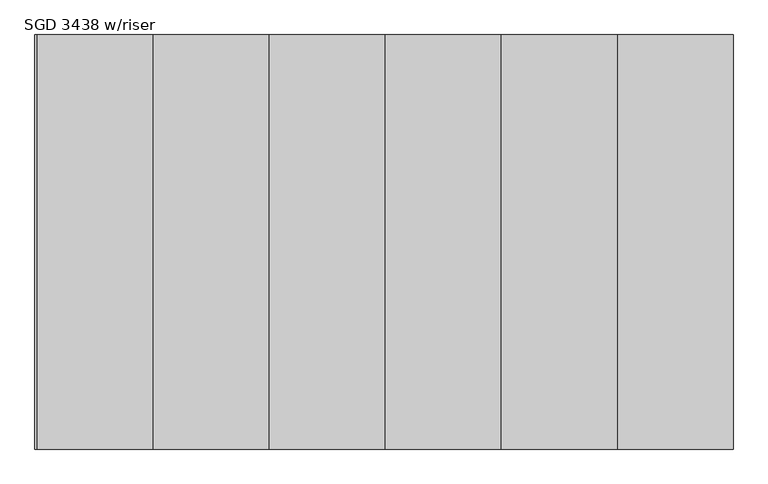
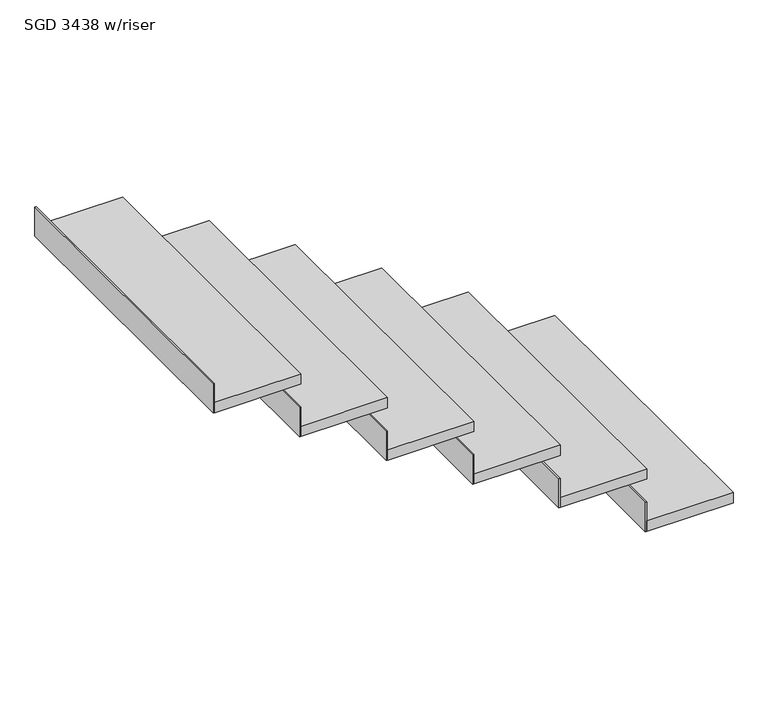
"""IFC4 building model written with IfcOpenShell, lengths in millimetres: stair flight geometry, SGD 3438 w/riser."""

from ifc_helpers import new_model, si_unit, frame, origin, place, context, project, spatial, polyline, outline, extrude, source, transform, mapped, element, save


def sgd_3438_w_riser_8f0bbea4(model_context):
    return source(origin(), model_context, "Body", "SweptSolid", [
        extrude(outline(polyline([(2894.5692102, -2159.0766376), (2894.5692102, -1159.0766376), (3174.5692102, -1159.0766376), (3174.5692102, -2159.0766376), (2894.5692102, -2159.0766376)])), frame((0.0, 0.0, -2639.0806558), z_axis=(0.0, 0.0, 1.0), x_axis=(1.0, 0.0, 0.0)), (0.0, 0.0, 1.0), 35.0),
        extrude(outline(polyline([(2890.5692102, -1159.0766376), (2894.5692102, -1159.0766376), (2894.5692102, -2159.0766376), (2890.5692102, -2159.0766376), (2890.5692102, -1159.0766376)])), frame((0.0, 0.0, -2638.7865382), z_axis=(0.0, 0.0, 1.0), x_axis=(1.0, 0.0, 0.0)), (0.0, 0.0, 1.0), 100.0),
        extrude(outline(polyline([(2610.5692102, -1159.0766376), (2614.5692102, -1159.0766376), (2614.5692102, -2159.0766376), (2610.5692102, -2159.0766376), (2610.5692102, -1159.0766376)])), frame((0.0, 0.0, -2459.4924205), z_axis=(0.0, 0.0, 1.0), x_axis=(1.0, 0.0, 0.0)), (0.0, 0.0, 1.0), 100.0),
        extrude(outline(polyline([(2330.5692102, -1159.0766376), (2334.5692102, -1159.0766376), (2334.5692102, -2159.0766376), (2330.5692102, -2159.0766376), (2330.5692102, -1159.0766376)])), frame((0.0, 0.0, -2280.1983029), z_axis=(0.0, 0.0, 1.0), x_axis=(1.0, 0.0, 0.0)), (0.0, 0.0, 1.0), 100.0),
        extrude(outline(polyline([(2050.5692102, -1159.0766376), (2054.5692102, -1159.0766376), (2054.5692102, -2159.0766376), (2050.5692102, -2159.0766376), (2050.5692102, -1159.0766376)])), frame((0.0, 0.0, -2100.9041852), z_axis=(0.0, 0.0, 1.0), x_axis=(1.0, 0.0, 0.0)), (0.0, 0.0, 1.0), 100.0),
        extrude(outline(polyline([(1770.5692102, -1159.0766376), (1774.5692102, -1159.0766376), (1774.5692102, -2159.0766376), (1770.5692102, -2159.0766376), (1770.5692102, -1159.0766376)])), frame((0.0, 0.0, -1921.6100676), z_axis=(0.0, 0.0, 1.0), x_axis=(1.0, 0.0, 0.0)), (0.0, 0.0, 1.0), 100.0),
        extrude(outline(polyline([(1490.5692102, -1159.0766376), (1494.5692102, -1159.0766376), (1494.5692102, -2159.0766376), (1490.5692102, -2159.0766376), (1490.5692102, -1159.0766376)])), frame((0.0, 0.0, -1742.3159499), z_axis=(0.0, 0.0, 1.0), x_axis=(1.0, 0.0, 0.0)), (0.0, 0.0, 1.0), 100.0),
        extrude(outline(polyline([(2614.5692102, -2159.0766376), (2614.5692102, -1159.0766376), (2894.5692102, -1159.0766376), (2894.5692102, -2159.0766376), (2614.5692102, -2159.0766376)])), frame((0.0, 0.0, -2459.7865382), z_axis=(0.0, 0.0, 1.0), x_axis=(1.0, 0.0, 0.0)), (0.0, 0.0, 1.0), 35.0),
        extrude(outline(polyline([(2334.5692102, -2159.0766376), (2334.5692102, -1159.0766376), (2614.5692102, -1159.0766376), (2614.5692102, -2159.0766376), (2334.5692102, -2159.0766376)])), frame((0.0, 0.0, -2280.4924205), z_axis=(0.0, 0.0, 1.0), x_axis=(1.0, 0.0, 0.0)), (0.0, 0.0, 1.0), 35.0),
        extrude(outline(polyline([(2054.5692102, -2159.0766376), (2054.5692102, -1159.0766376), (2334.5692102, -1159.0766376), (2334.5692102, -2159.0766376), (2054.5692102, -2159.0766376)])), frame((0.0, 0.0, -2101.1983029), z_axis=(0.0, 0.0, 1.0), x_axis=(1.0, 0.0, 0.0)), (0.0, 0.0, 1.0), 35.0),
        extrude(outline(polyline([(1774.5692102, -2159.0766376), (1774.5692102, -1159.0766376), (2054.5692102, -1159.0766376), (2054.5692102, -2159.0766376), (1774.5692102, -2159.0766376)])), frame((0.0, 0.0, -1921.9041852), z_axis=(0.0, 0.0, 1.0), x_axis=(1.0, 0.0, 0.0)), (0.0, 0.0, 1.0), 35.0),
        extrude(outline(polyline([(1494.5692102, -2159.0766376), (1494.5692102, -1159.0766376), (1774.5692102, -1159.0766376), (1774.5692102, -2159.0766376), (1494.5692102, -2159.0766376)])), frame((0.0, 0.0, -1742.6100676), z_axis=(0.0, 0.0, 1.0), x_axis=(1.0, 0.0, 0.0)), (0.0, 0.0, 1.0), 35.0),
    ])


if __name__ == "__main__":
    model = new_model("IFC4")
    model_context = context("Model", 3, world=origin())
    ifc_project = project(units=[si_unit("LENGTHUNIT", "METRE", prefix="MILLI")], contexts=[model_context])
    site = spatial("IfcSite", under=ifc_project)
    building = spatial("IfcBuilding", under=site)
    placement = place(None, origin())
    sgd_3438_w_riser_shape = sgd_3438_w_riser_8f0bbea4(model_context)
    element("IfcStairFlight", 1, ObjectType="SGD 3438 w/riser", at=placement, inside=building, context=model_context, shape_type="MappedRepresentation", body=[
        mapped(sgd_3438_w_riser_shape, transform((0.0, 0.0, 0.0), x_axis=(1.0, 0.0, 0.0), y_axis=(0.0, 1.0, 0.0), z_axis=(0.0, 0.0, 1.0))),
    ])
    save(model, "model.ifc")
